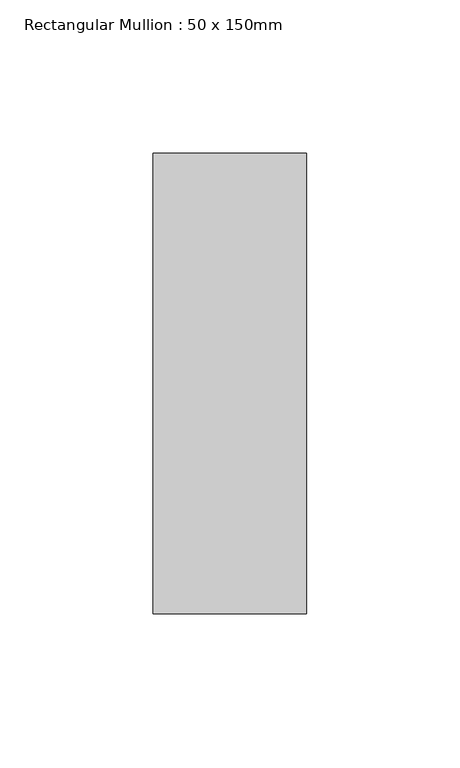
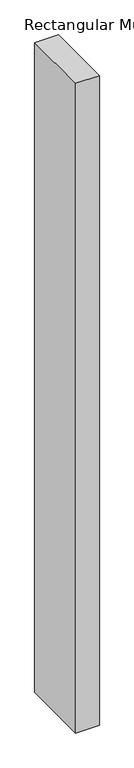
"""IFC4 building model written with IfcOpenShell, lengths in millimetres: member geometry, Rectangular Mullion : 50 x 150mm."""

from ifc_helpers import new_model, si_unit, frame, origin, place, context, project, spatial, polyline, outline, extrude, source, transform, mapped, element, save


def rectangular_mullion_50_x_150mm_22d683f7(model_context):
    return source(origin(), model_context, "Body", "SweptSolid", [
        extrude(outline(polyline([(25.0, 75.0), (25.0, -75.0), (-25.0, -75.0), (-25.0, 75.0), (25.0, 75.0)])), frame((0.0, 0.0, -1450.5124378), z_axis=(0.0, 0.0, 1.0), x_axis=(1.0, 0.0, 0.0)), (0.0, 0.0, 1.0), 1450.5124378),
    ])


if __name__ == "__main__":
    model = new_model("IFC4")
    model_context = context("Model", 3, world=origin())
    ifc_project = project(units=[si_unit("LENGTHUNIT", "METRE", prefix="MILLI")], contexts=[model_context])
    site = spatial("IfcSite", under=ifc_project)
    building = spatial("IfcBuilding", under=site)
    placement = place(None, origin())
    rectangular_mullion_50_x_150mm_shape = rectangular_mullion_50_x_150mm_22d683f7(model_context)
    element("IfcMember", 1, ObjectType="Rectangular Mullion : 50 x 150mm", at=placement, inside=building, context=model_context, shape_type="MappedRepresentation", body=[
        mapped(rectangular_mullion_50_x_150mm_shape, transform((0.0, 0.0, 0.0), x_axis=(1.0, 0.0, 0.0), y_axis=(0.0, 1.0, 0.0), z_axis=(0.0, 0.0, 1.0))),
    ])
    save(model, "model.ifc")
